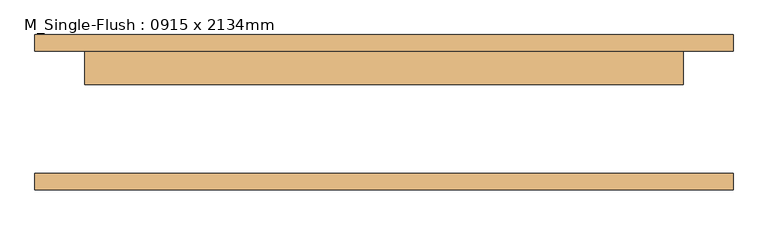
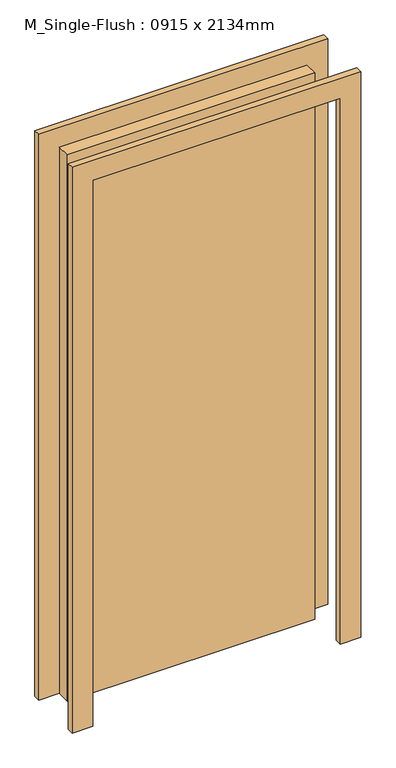
"""IFC4 building model written with IfcOpenShell, lengths in millimetres: door geometry, M_Single-Flush : 0915 x 2134mm."""

from ifc_helpers import new_model, si_unit, frame, origin, origin_with_axes, place, context, project, spatial, polyline, outline, extrude, source, transform, mapped, element, save


def m_single_flush_0915_x_2134mm_587f1046(model_context):
    return source(origin(), model_context, "Body", "SweptSolid", [
        extrude(outline(polyline([(2210.0, -533.5), (0.0, -533.5), (0.0, -457.5), (2134.0, -457.5), (2134.0, 457.5), (0.0, 457.5), (0.0, 533.5), (2210.0, 533.5), (2210.0, -533.5)])), frame((0.0, 93.75, 0.0), z_axis=(0.0, 1.0, 0.0), x_axis=(0.0, 0.0, 1.0)), (0.0, 0.0, 1.0), 25.0),
        extrude(outline(polyline([(2210.0, 533.5), (2210.0, -533.5), (0.0, -533.5), (0.0, -457.5), (2134.0, -457.5), (2134.0, 457.5), (0.0, 457.5), (0.0, 533.5), (2210.0, 533.5)])), frame((0.0, -118.75, 0.0), z_axis=(0.0, 1.0, 0.0), x_axis=(0.0, 0.0, 1.0)), (0.0, 0.0, 1.0), 25.0),
        extrude(outline(polyline([(457.5, 42.75), (-457.5, 42.75), (-457.5, 93.75), (457.5, 93.75), (457.5, 42.75)])), origin_with_axes(), (0.0, 0.0, 1.0), 2134.0),
    ])


if __name__ == "__main__":
    model = new_model("IFC4")
    model_context = context("Model", 3, world=origin())
    ifc_project = project(units=[si_unit("LENGTHUNIT", "METRE", prefix="MILLI")], contexts=[model_context])
    site = spatial("IfcSite", under=ifc_project)
    building = spatial("IfcBuilding", under=site)
    placement = place(None, origin())
    m_single_flush_0915_x_2134mm_shape = m_single_flush_0915_x_2134mm_587f1046(model_context)
    element("IfcDoor", 1, ObjectType="M_Single-Flush : 0915 x 2134mm", at=placement, inside=building, context=model_context, shape_type="MappedRepresentation", body=[
        mapped(m_single_flush_0915_x_2134mm_shape, transform((0.0, 0.0, 0.0), x_axis=(1.0, 0.0, 0.0), y_axis=(0.0, 1.0, 0.0), z_axis=(0.0, 0.0, 1.0))),
    ])
    save(model, "model.ifc")
